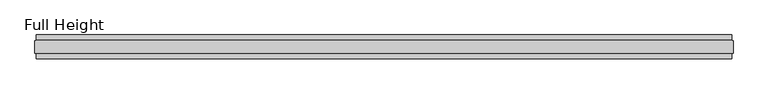
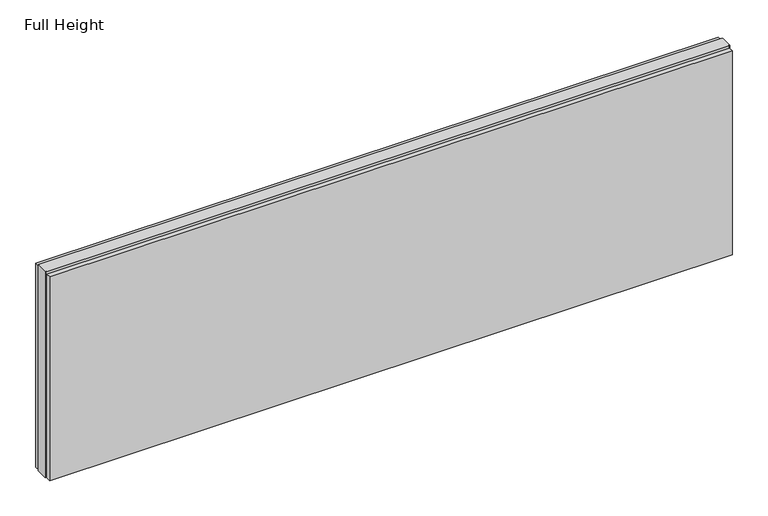
"""IFC4 building model written with IfcOpenShell, lengths in millimetres: plate geometry, Full Height."""

from ifc_helpers import new_model, si_unit, origin, origin_with_axes, place, context, project, spatial, polyline, outline, extrude, source, transform, mapped, element, save


def full_height_36b7f642(model_context):
    return source(origin(), model_context, "Body", "SweptSolid", [
        extrude(outline(polyline([(1434.2109569, -28.956), (1434.2109569, -49.53), (-1434.2109569, -49.53), (-1434.2109569, -28.956), (1434.2109569, -28.956)])), origin_with_axes(), (0.0, 0.0, 1.0), 905.256),
        extrude(outline(polyline([(1434.2109569, 28.956), (-1434.2109569, 28.956), (-1434.2109569, 49.53), (1434.2109569, 49.53), (1434.2109569, 28.956)])), origin_with_axes(), (0.0, 0.0, 1.0), 905.256),
        extrude(outline(polyline([(1434.2109569, 25.146), (1438.7829569, 25.146), (1438.7829569, -25.146), (1434.2109569, -25.146), (1434.2109569, -26.67), (-1434.2109569, -26.67), (-1434.2109569, -25.146), (-1438.7829569, -25.146), (-1438.7829569, 25.146), (-1434.2109569, 25.146), (-1434.2109569, 26.67), (1434.2109569, 26.67), (1434.2109569, 25.146)])), origin_with_axes(), (0.0, 0.0, 1.0), 914.4),
    ])


if __name__ == "__main__":
    model = new_model("IFC4")
    model_context = context("Model", 3, world=origin())
    ifc_project = project(units=[si_unit("LENGTHUNIT", "METRE", prefix="MILLI")], contexts=[model_context])
    site = spatial("IfcSite", under=ifc_project)
    building = spatial("IfcBuilding", under=site)
    placement = place(None, origin())
    full_height_shape = full_height_36b7f642(model_context)
    element("IfcPlate", 1, ObjectType="Full Height", at=placement, inside=building, context=model_context, shape_type="MappedRepresentation", body=[
        mapped(full_height_shape, transform((0.0, 0.0, 0.0), x_axis=(1.0, 0.0, 0.0), y_axis=(0.0, 1.0, 0.0), z_axis=(0.0, 0.0, 1.0))),
    ])
    save(model, "model.ifc")
